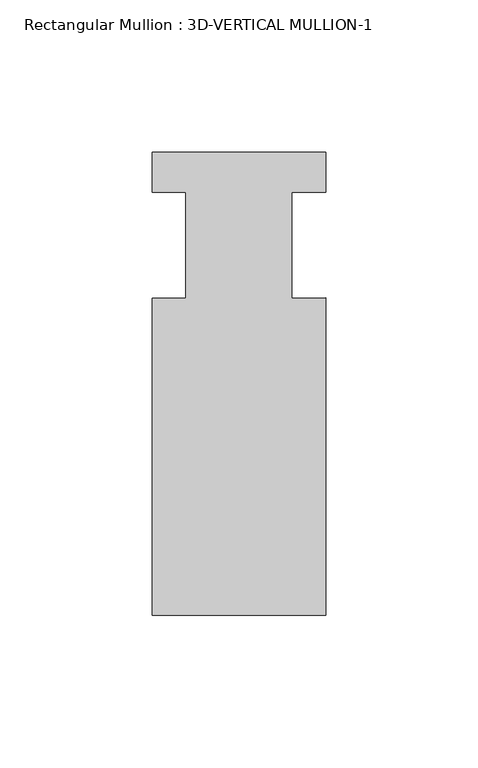
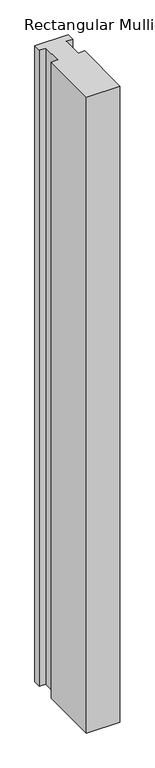
"""IFC4 building model written with IfcOpenShell, lengths in millimetres: member geometry, Rectangular Mullion : 3D-VERTICAL MULLION-1."""

from ifc_helpers import new_model, si_unit, frame, origin, place, context, project, spatial, polyline, outline, extrude, source, transform, mapped, element, save


def rectangular_mullion_3d_vertical_mullion_1_a3a5e034(model_context):
    return source(origin(), model_context, "Body", "SweptSolid", [
        extrude(outline(polyline([(28.575, -76.2), (-28.575, -76.2), (-28.575, 28.0416), (-17.4625, 28.0416), (-17.4625, 63.0047), (-28.575, 63.0047), (-28.575, 76.2), (28.575, 76.2), (28.575, 63.0047), (17.4625, 63.0047), (17.4625, 28.1645071), (28.575, 28.2698389), (28.575, -76.2)])), frame((0.0, 0.0, -1149.35), z_axis=(0.0, 0.0, 1.0), x_axis=(1.0, 0.0, 0.0)), (0.0, 0.0, 1.0), 1149.35),
    ])


if __name__ == "__main__":
    model = new_model("IFC4")
    model_context = context("Model", 3, world=origin())
    ifc_project = project(units=[si_unit("LENGTHUNIT", "METRE", prefix="MILLI")], contexts=[model_context])
    site = spatial("IfcSite", under=ifc_project)
    building = spatial("IfcBuilding", under=site)
    placement = place(None, origin())
    rectangular_mullion_3d_vertical_mullion_1_shape = rectangular_mullion_3d_vertical_mullion_1_a3a5e034(model_context)
    element("IfcMember", 1, ObjectType="Rectangular Mullion : 3D-VERTICAL MULLION-1", at=placement, inside=building, context=model_context, shape_type="MappedRepresentation", body=[
        mapped(rectangular_mullion_3d_vertical_mullion_1_shape, transform((0.0, 0.0, 0.0), x_axis=(1.0, 0.0, 0.0), y_axis=(0.0, 1.0, 0.0), z_axis=(0.0, 0.0, 1.0))),
    ])
    save(model, "model.ifc")
